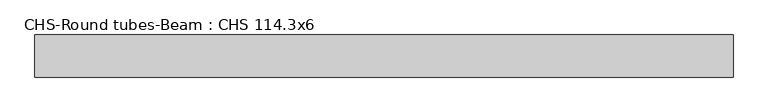
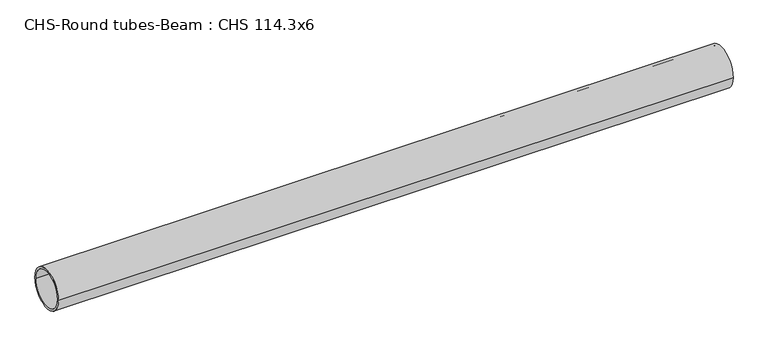
"""IFC4 building model written with IfcOpenShell, lengths in millimetres: beam geometry, CHS-Round tubes-Beam : CHS 114.3x6."""

from ifc_helpers import new_model, si_unit, point, frame, origin, origin_2d, place, context, project, spatial, circle_curve, trimmed, segment, composite_curve, outline, extrude, source, transform, mapped, element, save


def chs_round_tubes_beam_chs_114_3x6_9d817a38(model_context):
    return source(origin(), model_context, "Body", "SweptSolid", [
        extrude(outline(composite_curve([segment(trimmed(circle_curve(origin_2d(), 57.15), [point((57.15, 0.0))], [point((-57.15, 0.0))], False, "CARTESIAN"), True, "CONTINUOUS"), segment(trimmed(circle_curve(origin_2d(), 57.15), [point((-57.15, 0.0))], [point((57.15, 0.0))], False, "CARTESIAN"), True, "CONTINUOUS")], self_intersect=False), holes=[composite_curve([segment(trimmed(circle_curve(origin_2d(), 51.15), [point((51.15, 0.0))], [point((-51.15, 0.0))], True, "CARTESIAN"), True, "CONTINUOUS"), segment(trimmed(circle_curve(origin_2d(), 51.15), [point((-51.15, 0.0))], [point((51.15, 0.0))], True, "CARTESIAN"), True, "CONTINUOUS")], self_intersect=False)]), frame((-946.6600484, 0.0, 0.0), z_axis=(1.0, 0.0, 0.0), x_axis=(0.0, 1.0, 0.0)), (0.0, 0.0, 1.0), 1893.992313),
    ])


if __name__ == "__main__":
    model = new_model("IFC4")
    model_context = context("Model", 3, world=origin())
    ifc_project = project(units=[si_unit("LENGTHUNIT", "METRE", prefix="MILLI")], contexts=[model_context])
    site = spatial("IfcSite", under=ifc_project)
    building = spatial("IfcBuilding", under=site)
    placement = place(None, origin())
    chs_round_tubes_beam_chs_114_3x6_shape = chs_round_tubes_beam_chs_114_3x6_9d817a38(model_context)
    element("IfcBeam", 1, ObjectType="CHS-Round tubes-Beam : CHS 114.3x6", at=placement, inside=building, context=model_context, shape_type="MappedRepresentation", body=[
        mapped(chs_round_tubes_beam_chs_114_3x6_shape, transform((0.0, 0.0, 0.0), x_axis=(1.0, 0.0, 0.0), y_axis=(0.0, 1.0, 0.0), z_axis=(0.0, 0.0, 1.0))),
    ])
    save(model, "model.ifc")
